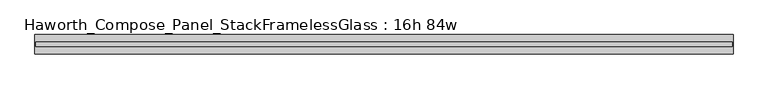
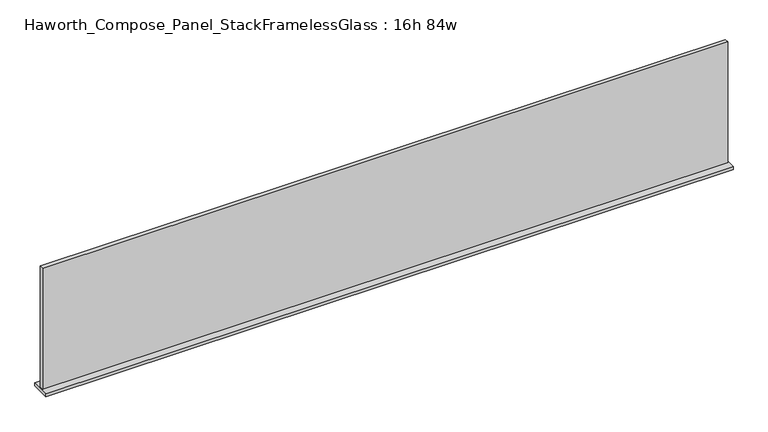
"""IFC4 building model written with IfcOpenShell, lengths in millimetres: furniture geometry, Haworth_Compose_Panel_StackFramelessGlass : 16h 84w."""

from ifc_helpers import new_model, si_unit, frame, origin, place, context, project, spatial, polyline, outline, extrude, source, transform, mapped, element, save


def haworth_compose_panel_stackframelessglass_16h_84w_9b45d015(model_context):
    return source(origin(), model_context, "Body", "SweptSolid", [
        extrude(outline(polyline([(1066.0652902, -27.3093594), (-1061.1847098, -27.3093594), (-1061.1847098, -14.6093594), (1066.0652902, -14.6093594), (1066.0652902, -27.3093594)])), frame((0.0, 0.0, 1279.525), z_axis=(0.0, 0.0, 1.0), x_axis=(1.0, 0.0, 0.0)), (0.0, 0.0, 1.0), 396.875),
        extrude(outline(polyline([(-1064.3597098, -50.3281094), (-1064.3597098, 8.4093906), (1069.2402902, 8.4093906), (1069.2402902, -50.3281094), (-1064.3597098, -50.3281094)])), frame((0.0, 0.0, 1270.0), z_axis=(0.0, 0.0, 1.0), x_axis=(1.0, 0.0, 0.0)), (0.0, 0.0, 1.0), 9.525),
    ])


if __name__ == "__main__":
    model = new_model("IFC4")
    model_context = context("Model", 3, world=origin())
    ifc_project = project(units=[si_unit("LENGTHUNIT", "METRE", prefix="MILLI")], contexts=[model_context])
    site = spatial("IfcSite", under=ifc_project)
    building = spatial("IfcBuilding", under=site)
    placement = place(None, origin())
    haworth_compose_panel_stackframelessglass_16h_84w_shape = haworth_compose_panel_stackframelessglass_16h_84w_9b45d015(model_context)
    element("IfcFurniture", 1, ObjectType="Haworth_Compose_Panel_StackFramelessGlass : 16h 84w", at=placement, inside=building, context=model_context, shape_type="MappedRepresentation", body=[
        mapped(haworth_compose_panel_stackframelessglass_16h_84w_shape, transform((0.0, 0.0, 0.0), x_axis=(1.0, 0.0, 0.0), y_axis=(0.0, 1.0, 0.0), z_axis=(0.0, 0.0, 1.0))),
    ])
    save(model, "model.ifc")
